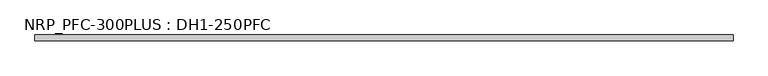
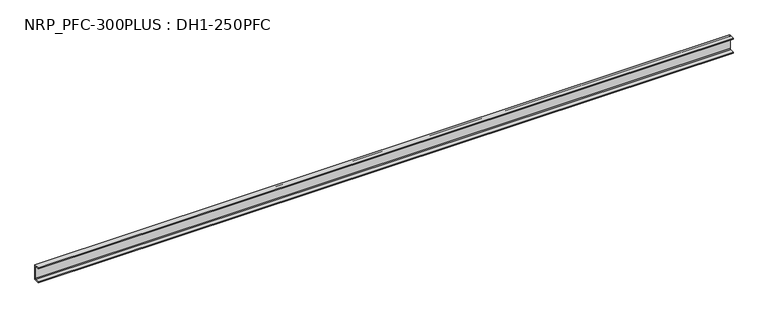
"""IFC4 building model written with IfcOpenShell, lengths in millimetres: beam geometry, NRP_PFC-300PLUS : DH1-250PFC."""

import ifcopenshell
import ifcopenshell.guid

model = None  # the IFC model being written
_history = None  # IfcOwnerHistory: only IFC2X3 demands one
_inside = {}  # id of a spatial element -> (the spatial element, [elements in it])
_under = {}  # id of a project, library or spatial element -> (it, [spatial elements below it])
_declared = {}  # id of a project -> (the project, [libraries it declares])
_typed = {}  # id of a type object -> (the type object, [elements of that type])
_made_of = {}  # id of a material, layer set ... -> (it, [elements and type objects made of it])


def new_model(schema):
    """Start an empty IFC model of exactly this schema.

    Asked for "IFC4X3", IfcOpenShell would pick the latest addendum, in which some entities
    have other attributes; the version numbers below select the first issue.
    IFC2X3 requires an IfcOwnerHistory on every rooted entity: one is made here for all.
    """
    global model, _history
    if schema == "IFC4X3":
        model = ifcopenshell.file(schema_version=(4, 3, 0, 0))
    else:
        model = ifcopenshell.file(schema=schema)
    _inside.clear()
    _under.clear()
    _declared.clear()
    _typed.clear()
    _made_of.clear()
    _history = None
    if model.schema == "IFC2X3":
        org = make("IfcOrganization", Name="unknown")
        user = make(
            "IfcPersonAndOrganization",
            ThePerson=make("IfcPerson", FamilyName="unknown"),
            TheOrganization=org,
        )
        app = make(
            "IfcApplication",
            ApplicationDeveloper=org,
            Version="unknown",
            ApplicationFullName="unknown",
            ApplicationIdentifier="unknown",
        )
        _history = make(
            "IfcOwnerHistory",
            OwningUser=user,
            OwningApplication=app,
            ChangeAction="ADDED",
            CreationDate=0,
        )
    return model


def make(cls, **values):
    """One entity of the class cls with the attributes given. An attribute that is None is left unset."""
    return model.create_entity(
        cls, **{name: value for name, value in values.items() if value is not None}
    )


def rooted(cls, **values):
    """An entity with a GlobalId (a new one), such as an element, a storey or a relation."""
    return make(cls, GlobalId=ifcopenshell.guid.new(), OwnerHistory=_history, **values)


def si_unit(unit_type, name, prefix=None):
    """IfcSIUnit, for example si_unit("LENGTHUNIT", "METRE", prefix="MILLI")."""
    return make("IfcSIUnit", UnitType=unit_type, Prefix=prefix, Name=name)


def assignment(units):
    """IfcUnitAssignment: the units of a project."""
    return None if units is None else make("IfcUnitAssignment", Units=units)


def point(xyz):
    """IfcCartesianPoint."""
    return None if xyz is None else make("IfcCartesianPoint", Coordinates=xyz)


def direction(xyz):
    """IfcDirection."""
    return None if xyz is None else make("IfcDirection", DirectionRatios=xyz)


def frame(location, z_axis=None, x_axis=None):
    """IfcAxis2Placement3D, a coordinate frame: its origin and axes. An axis left out is left unset."""
    return make(
        "IfcAxis2Placement3D",
        Location=point(location),
        Axis=direction(z_axis),
        RefDirection=direction(x_axis),
    )


def frame_2d(location, x_axis=None):
    """IfcAxis2Placement2D, a coordinate frame in the plane: its origin and x axis."""
    return make(
        "IfcAxis2Placement2D", Location=point(location), RefDirection=direction(x_axis)
    )


def origin():
    """The frame at (0, 0, 0) with its axes left unset."""
    return frame((0.0, 0.0, 0.0))


def place(relative_to, where):
    """IfcLocalPlacement: puts the frame where relative to a parent placement (None: the world)."""
    return make(
        "IfcLocalPlacement", PlacementRelTo=relative_to, RelativePlacement=where
    )


def context(
    kind, dimensions, precision=None, world=None, true_north=None, identifier=None
):
    """IfcGeometricRepresentationContext, for example the 3D "Model" context."""
    return make(
        "IfcGeometricRepresentationContext",
        ContextIdentifier=identifier,
        ContextType=kind,
        CoordinateSpaceDimension=dimensions,
        Precision=precision,
        WorldCoordinateSystem=world,
        TrueNorth=true_north,
    )


def project(units=None, contexts=None):
    """IfcProject with its units and contexts."""
    return rooted(
        "IfcProject",
        Name="project",
        RepresentationContexts=contexts,
        UnitsInContext=assignment(units),
    )


def spatial(cls, under=None, at=None, **own):
    """A site, building, storey or space (cls), placed at a placement, below another one or the project."""
    s = rooted(cls, ObjectPlacement=at, **own)
    if under is not None:
        _under.setdefault(under.id(), (under, []))[1].append(s)
    return s


def polyline(points):
    """IfcPolyline through the points."""
    return make("IfcPolyline", Points=[point(p) for p in points])


def circle_curve(where, radius):
    """IfcCircle in the frame where."""
    return make("IfcCircle", Position=where, Radius=radius)


def trimmed(basis, trim1, trim2, sense, master):
    """IfcTrimmedCurve: the piece of a basis curve between two trims."""
    return make(
        "IfcTrimmedCurve",
        BasisCurve=basis,
        Trim1=trim1,
        Trim2=trim2,
        SenseAgreement=sense,
        MasterRepresentation=master,
    )


def segment(curve, same_sense, transition):
    """IfcCompositeCurveSegment."""
    return make(
        "IfcCompositeCurveSegment",
        Transition=transition,
        SameSense=same_sense,
        ParentCurve=curve,
    )


def composite_curve(segments, self_intersect=None):
    """IfcCompositeCurve: segments joined end to end."""
    return make("IfcCompositeCurve", Segments=segments, SelfIntersect=self_intersect)


def outline(outer, holes=None, kind="AREA"):
    """IfcArbitraryClosedProfileDef: a profile drawn as a closed curve; with holes, ...WithVoids."""
    if holes is None:
        return make("IfcArbitraryClosedProfileDef", ProfileType=kind, OuterCurve=outer)
    return make(
        "IfcArbitraryProfileDefWithVoids",
        ProfileType=kind,
        OuterCurve=outer,
        InnerCurves=holes,
    )


def extrude(swept, where, along, depth):
    """IfcExtrudedAreaSolid: the profile swept, set in the frame where, extruded along a direction by depth."""
    return make(
        "IfcExtrudedAreaSolid",
        SweptArea=swept,
        Position=where,
        ExtrudedDirection=direction(along),
        Depth=depth,
    )


def shape(context_of_items, identifier, shape_type, items):
    """IfcShapeRepresentation: the items that make up one representation, for example the "Body"."""
    return make(
        "IfcShapeRepresentation",
        ContextOfItems=context_of_items,
        RepresentationIdentifier=identifier,
        RepresentationType=shape_type,
        Items=items,
    )


def source(mapping_origin, context_of_items, identifier, shape_type, items):
    """IfcRepresentationMap: a shape defined once, which mapped items show again and again."""
    return make(
        "IfcRepresentationMap",
        MappingOrigin=mapping_origin,
        MappedRepresentation=shape(context_of_items, identifier, shape_type, items),
    )


def transform(
    local_origin,
    x_axis=None,
    y_axis=None,
    z_axis=None,
    scale=None,
    scale2=None,
    scale3=None,
    uniform=True,
):
    """IfcCartesianTransformationOperator3D, or its non-uniform kind. x_axis, y_axis, z_axis: its Axis1, 2, 3."""
    if uniform:
        return make(
            "IfcCartesianTransformationOperator3D",
            Axis1=direction(x_axis),
            Axis2=direction(y_axis),
            LocalOrigin=point(local_origin),
            Scale=scale,
            Axis3=direction(z_axis),
        )
    return make(
        "IfcCartesianTransformationOperator3DnonUniform",
        Axis1=direction(x_axis),
        Axis2=direction(y_axis),
        LocalOrigin=point(local_origin),
        Scale=scale,
        Axis3=direction(z_axis),
        Scale2=scale2,
        Scale3=scale3,
    )


def mapped(mapping_source, mapping_target):
    """IfcMappedItem: shows the shape of a source again, moved by a transform."""
    return make(
        "IfcMappedItem", MappingSource=mapping_source, MappingTarget=mapping_target
    )


def made_of(thing, what):
    """Note that an element or type object is made of a material, layer set ...; save() writes the relation."""
    if what is not None:
        _made_of.setdefault(what.id(), (what, []))[1].append(thing)
    return thing


def element(
    cls,
    number,
    at=None,
    inside=None,
    cuts=None,
    type_object=None,
    material=None,
    context=None,
    identifier="Body",
    shape_type=None,
    held_by="IfcProductDefinitionShape",
    body=None,
    shapes=None,
    **own,
):
    """One element of the class cls, such as IfcWall. Its Tag is "e" and its number.

    at: its placement. inside: the storey or other place that contains it. cuts: it is an
    opening in that element (IfcRelVoidsElement). A single representation is given by context,
    identifier, shape_type and body (its items); several are given by shapes. held_by: the class
    of the entity that holds the representations. save() writes the other relations.
    """
    e = rooted(cls, Tag="e%d" % number, ObjectPlacement=at, **own)
    if body is not None:
        shapes = [shape(context, identifier, shape_type, body)]
    if shapes is not None:
        e.Representation = make(held_by, Representations=shapes)
    if inside is not None:
        _inside.setdefault(inside.id(), (inside, []))[1].append(e)
    if cuts is not None:
        rooted(
            "IfcRelVoidsElement", RelatingBuildingElement=cuts, RelatedOpeningElement=e
        )
    if type_object is not None:
        _typed.setdefault(type_object.id(), (type_object, []))[1].append(e)
    return made_of(e, material)


def aggregate(whole, parts):
    """IfcRelAggregates: a whole, such as a stair, and the parts it consists of."""
    return rooted("IfcRelAggregates", RelatingObject=whole, RelatedObjects=parts)


def save(model, path):
    """Write the relations noted so far, then the file.

    IfcRelAggregates (storeys below a building ...), IfcRelContainedInSpatialStructure (elements
    in a storey), IfcRelDefinesByType, IfcRelAssociatesMaterial and IfcRelDeclares: one each for
    every whole, place, type object, material and project.
    """
    for whole, parts in _under.values():
        aggregate(whole, parts)
    for where, things in _inside.values():
        rooted(
            "IfcRelContainedInSpatialStructure",
            RelatedElements=things,
            RelatingStructure=where,
        )
    for kind, things in _typed.values():
        rooted("IfcRelDefinesByType", RelatedObjects=things, RelatingType=kind)
    for what, things in _made_of.values():
        rooted("IfcRelAssociatesMaterial", RelatedObjects=things, RelatingMaterial=what)
    for by, libraries in _declared.values():
        rooted("IfcRelDeclares", RelatingContext=by, RelatedDefinitions=libraries)
    model.write(path)


def nrp_pfc_300plus_dh1_250pfc_fa1835c7(model_context):
    return source(origin(), model_context, "Body", "SweptSolid", [
        extrude(outline(composite_curve([segment(polyline([(28.6, 125.0), (28.6, -125.0), (-61.4, -125.0), (-61.4, -110.0), (8.6, -110.0)]), True, "CONTINUOUS"), segment(trimmed(circle_curve(frame_2d((8.6, -98.0)), 12.0), [point((8.6, -110.0))], [point((20.6, -98.0))], True, "CARTESIAN"), True, "CONTINUOUS"), segment(polyline([(20.6, -98.0), (20.6, 98.0)]), True, "CONTINUOUS"), segment(trimmed(circle_curve(frame_2d((8.6, 98.0)), 12.0), [point((20.6, 98.0))], [point((8.6, 110.0))], True, "CARTESIAN"), True, "CONTINUOUS"), segment(polyline([(8.6, 110.0), (-61.4, 110.0), (-61.4, 125.0), (28.6, 125.0)]), True, "CONTINUOUS")], self_intersect=False)), frame((-5527.5, 0.0, 0.0), z_axis=(1.0, 0.0, 0.0), x_axis=(0.0, 1.0, 0.0)), (0.0, 0.0, 1.0), 11055.0),
    ])


if __name__ == "__main__":
    model = new_model("IFC4")
    model_context = context("Model", 3, world=origin())
    ifc_project = project(units=[si_unit("LENGTHUNIT", "METRE", prefix="MILLI")], contexts=[model_context])
    site = spatial("IfcSite", under=ifc_project)
    building = spatial("IfcBuilding", under=site)
    placement = place(None, origin())
    nrp_pfc_300plus_dh1_250pfc_shape = nrp_pfc_300plus_dh1_250pfc_fa1835c7(model_context)
    element("IfcBeam", 1, ObjectType="NRP_PFC-300PLUS : DH1-250PFC", at=placement, inside=building, context=model_context, shape_type="MappedRepresentation", body=[
        mapped(nrp_pfc_300plus_dh1_250pfc_shape, transform((0.0, 0.0, 0.0), x_axis=(1.0, 0.0, 0.0), y_axis=(0.0, 1.0, 0.0), z_axis=(0.0, 0.0, 1.0))),
    ])
    save(model, "model.ifc")
